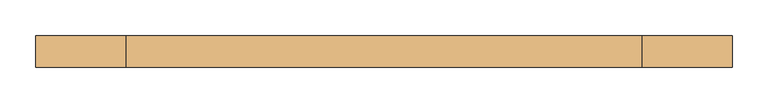
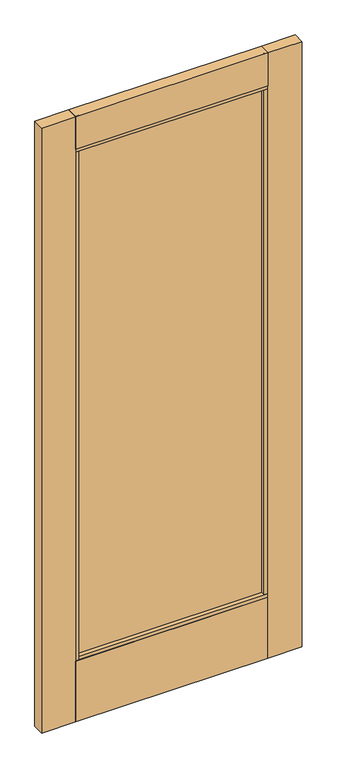
"""IFC4 building model written with IfcOpenShell, lengths in millimetres: door geometry."""

import ifcopenshell
import ifcopenshell.guid

model = None  # the IFC model being written
_history = None  # IfcOwnerHistory: only IFC2X3 demands one
_inside = {}  # id of a spatial element -> (the spatial element, [elements in it])
_under = {}  # id of a project, library or spatial element -> (it, [spatial elements below it])
_declared = {}  # id of a project -> (the project, [libraries it declares])
_typed = {}  # id of a type object -> (the type object, [elements of that type])
_made_of = {}  # id of a material, layer set ... -> (it, [elements and type objects made of it])


def new_model(schema):
    """Start an empty IFC model of exactly this schema.

    Asked for "IFC4X3", IfcOpenShell would pick the latest addendum, in which some entities
    have other attributes; the version numbers below select the first issue.
    IFC2X3 requires an IfcOwnerHistory on every rooted entity: one is made here for all.
    """
    global model, _history
    if schema == "IFC4X3":
        model = ifcopenshell.file(schema_version=(4, 3, 0, 0))
    else:
        model = ifcopenshell.file(schema=schema)
    _inside.clear()
    _under.clear()
    _declared.clear()
    _typed.clear()
    _made_of.clear()
    _history = None
    if model.schema == "IFC2X3":
        org = make("IfcOrganization", Name="unknown")
        user = make(
            "IfcPersonAndOrganization",
            ThePerson=make("IfcPerson", FamilyName="unknown"),
            TheOrganization=org,
        )
        app = make(
            "IfcApplication",
            ApplicationDeveloper=org,
            Version="unknown",
            ApplicationFullName="unknown",
            ApplicationIdentifier="unknown",
        )
        _history = make(
            "IfcOwnerHistory",
            OwningUser=user,
            OwningApplication=app,
            ChangeAction="ADDED",
            CreationDate=0,
        )
    return model


def make(cls, **values):
    """One entity of the class cls with the attributes given. An attribute that is None is left unset."""
    return model.create_entity(
        cls, **{name: value for name, value in values.items() if value is not None}
    )


def rooted(cls, **values):
    """An entity with a GlobalId (a new one), such as an element, a storey or a relation."""
    return make(cls, GlobalId=ifcopenshell.guid.new(), OwnerHistory=_history, **values)


def si_unit(unit_type, name, prefix=None):
    """IfcSIUnit, for example si_unit("LENGTHUNIT", "METRE", prefix="MILLI")."""
    return make("IfcSIUnit", UnitType=unit_type, Prefix=prefix, Name=name)


def assignment(units):
    """IfcUnitAssignment: the units of a project."""
    return None if units is None else make("IfcUnitAssignment", Units=units)


def point(xyz):
    """IfcCartesianPoint."""
    return None if xyz is None else make("IfcCartesianPoint", Coordinates=xyz)


def direction(xyz):
    """IfcDirection."""
    return None if xyz is None else make("IfcDirection", DirectionRatios=xyz)


def frame(location, z_axis=None, x_axis=None):
    """IfcAxis2Placement3D, a coordinate frame: its origin and axes. An axis left out is left unset."""
    return make(
        "IfcAxis2Placement3D",
        Location=point(location),
        Axis=direction(z_axis),
        RefDirection=direction(x_axis),
    )


def origin():
    """The frame at (0, 0, 0) with its axes left unset."""
    return frame((0.0, 0.0, 0.0))


def place(relative_to, where):
    """IfcLocalPlacement: puts the frame where relative to a parent placement (None: the world)."""
    return make(
        "IfcLocalPlacement", PlacementRelTo=relative_to, RelativePlacement=where
    )


def context(
    kind, dimensions, precision=None, world=None, true_north=None, identifier=None
):
    """IfcGeometricRepresentationContext, for example the 3D "Model" context."""
    return make(
        "IfcGeometricRepresentationContext",
        ContextIdentifier=identifier,
        ContextType=kind,
        CoordinateSpaceDimension=dimensions,
        Precision=precision,
        WorldCoordinateSystem=world,
        TrueNorth=true_north,
    )


def project(units=None, contexts=None):
    """IfcProject with its units and contexts."""
    return rooted(
        "IfcProject",
        Name="project",
        RepresentationContexts=contexts,
        UnitsInContext=assignment(units),
    )


def spatial(cls, under=None, at=None, **own):
    """A site, building, storey or space (cls), placed at a placement, below another one or the project."""
    s = rooted(cls, ObjectPlacement=at, **own)
    if under is not None:
        _under.setdefault(under.id(), (under, []))[1].append(s)
    return s


def polyline(points):
    """IfcPolyline through the points."""
    return make("IfcPolyline", Points=[point(p) for p in points])


def outline(outer, holes=None, kind="AREA"):
    """IfcArbitraryClosedProfileDef: a profile drawn as a closed curve; with holes, ...WithVoids."""
    if holes is None:
        return make("IfcArbitraryClosedProfileDef", ProfileType=kind, OuterCurve=outer)
    return make(
        "IfcArbitraryProfileDefWithVoids",
        ProfileType=kind,
        OuterCurve=outer,
        InnerCurves=holes,
    )


def extrude(swept, where, along, depth):
    """IfcExtrudedAreaSolid: the profile swept, set in the frame where, extruded along a direction by depth."""
    return make(
        "IfcExtrudedAreaSolid",
        SweptArea=swept,
        Position=where,
        ExtrudedDirection=direction(along),
        Depth=depth,
    )


def shape(context_of_items, identifier, shape_type, items):
    """IfcShapeRepresentation: the items that make up one representation, for example the "Body"."""
    return make(
        "IfcShapeRepresentation",
        ContextOfItems=context_of_items,
        RepresentationIdentifier=identifier,
        RepresentationType=shape_type,
        Items=items,
    )


def source(mapping_origin, context_of_items, identifier, shape_type, items):
    """IfcRepresentationMap: a shape defined once, which mapped items show again and again."""
    return make(
        "IfcRepresentationMap",
        MappingOrigin=mapping_origin,
        MappedRepresentation=shape(context_of_items, identifier, shape_type, items),
    )


def transform(
    local_origin,
    x_axis=None,
    y_axis=None,
    z_axis=None,
    scale=None,
    scale2=None,
    scale3=None,
    uniform=True,
):
    """IfcCartesianTransformationOperator3D, or its non-uniform kind. x_axis, y_axis, z_axis: its Axis1, 2, 3."""
    if uniform:
        return make(
            "IfcCartesianTransformationOperator3D",
            Axis1=direction(x_axis),
            Axis2=direction(y_axis),
            LocalOrigin=point(local_origin),
            Scale=scale,
            Axis3=direction(z_axis),
        )
    return make(
        "IfcCartesianTransformationOperator3DnonUniform",
        Axis1=direction(x_axis),
        Axis2=direction(y_axis),
        LocalOrigin=point(local_origin),
        Scale=scale,
        Axis3=direction(z_axis),
        Scale2=scale2,
        Scale3=scale3,
    )


def mapped(mapping_source, mapping_target):
    """IfcMappedItem: shows the shape of a source again, moved by a transform."""
    return make(
        "IfcMappedItem", MappingSource=mapping_source, MappingTarget=mapping_target
    )


def made_of(thing, what):
    """Note that an element or type object is made of a material, layer set ...; save() writes the relation."""
    if what is not None:
        _made_of.setdefault(what.id(), (what, []))[1].append(thing)
    return thing


def element(
    cls,
    number,
    at=None,
    inside=None,
    cuts=None,
    type_object=None,
    material=None,
    context=None,
    identifier="Body",
    shape_type=None,
    held_by="IfcProductDefinitionShape",
    body=None,
    shapes=None,
    **own,
):
    """One element of the class cls, such as IfcWall. Its Tag is "e" and its number.

    at: its placement. inside: the storey or other place that contains it. cuts: it is an
    opening in that element (IfcRelVoidsElement). A single representation is given by context,
    identifier, shape_type and body (its items); several are given by shapes. held_by: the class
    of the entity that holds the representations. save() writes the other relations.
    """
    e = rooted(cls, Tag="e%d" % number, ObjectPlacement=at, **own)
    if body is not None:
        shapes = [shape(context, identifier, shape_type, body)]
    if shapes is not None:
        e.Representation = make(held_by, Representations=shapes)
    if inside is not None:
        _inside.setdefault(inside.id(), (inside, []))[1].append(e)
    if cuts is not None:
        rooted(
            "IfcRelVoidsElement", RelatingBuildingElement=cuts, RelatedOpeningElement=e
        )
    if type_object is not None:
        _typed.setdefault(type_object.id(), (type_object, []))[1].append(e)
    return made_of(e, material)


def aggregate(whole, parts):
    """IfcRelAggregates: a whole, such as a stair, and the parts it consists of."""
    return rooted("IfcRelAggregates", RelatingObject=whole, RelatedObjects=parts)


def save(model, path):
    """Write the relations noted so far, then the file.

    IfcRelAggregates (storeys below a building ...), IfcRelContainedInSpatialStructure (elements
    in a storey), IfcRelDefinesByType, IfcRelAssociatesMaterial and IfcRelDeclares: one each for
    every whole, place, type object, material and project.
    """
    for whole, parts in _under.values():
        aggregate(whole, parts)
    for where, things in _inside.values():
        rooted(
            "IfcRelContainedInSpatialStructure",
            RelatedElements=things,
            RelatingStructure=where,
        )
    for kind, things in _typed.values():
        rooted("IfcRelDefinesByType", RelatedObjects=things, RelatingType=kind)
    for what, things in _made_of.values():
        rooted("IfcRelAssociatesMaterial", RelatedObjects=things, RelatingMaterial=what)
    for by, libraries in _declared.values():
        rooted("IfcRelDeclares", RelatingContext=by, RelatedDefinitions=libraries)
    model.write(path)


def door_1f2cd026(model_context):
    return source(origin(), model_context, "Body", "SweptSolid", [
        extrude(outline(polyline([(-15.875, 2425.2719027), (28.575, 2425.2719027), (28.575, 2295.1146827), (27.0151195, 2295.1146827), (27.0151195, 2282.4118887), (13.3499195, 2282.4118887), (13.3499195, 2294.3181387), (-0.3402584, 2294.3181387), (-0.3402584, 2282.4118887), (-14.0054584, 2282.4118887), (-14.0054584, 2295.1146827), (-15.875, 2295.1146827), (-15.875, 2425.2719027)]), holes=[polyline([(26.19375, 2297.4959327), (26.19375, 2422.8906527), (-13.49375, 2422.8906527), (-13.49375, 2297.4959327), (-11.6242084, 2297.4959327), (-11.6242084, 2284.7931387), (-2.7215084, 2284.7931387), (-2.7215084, 2296.6993887), (15.7311695, 2296.6993887), (15.7311695, 2284.7931387), (24.6338695, 2284.7931387), (24.6338695, 2297.4959327), (26.19375, 2297.4959327)])]), frame((-362.7313446, 0.0, 0.0), z_axis=(1.0, 0.0, 0.0), x_axis=(0.0, 1.0, 0.0)), (0.0, 0.0, 1.0), 725.4728048),
        extrude(outline(polyline([(-490.5383852, 28.575), (-362.7313446, 28.575), (-362.7313446, 27.0151195), (-350.0313446, 27.0151195), (-350.0313446, -14.0054584), (-362.7313446, -14.0054584), (-362.7313446, -15.875), (-490.5383852, -15.875), (-490.5383852, 28.575)])), frame((0.0, 0.0, 17.4625), z_axis=(0.0, 0.0, 1.0), x_axis=(1.0, 0.0, 0.0)), (0.0, 0.0, 1.0), 2407.8094027),
        extrude(outline(polyline([(-358.4228809, 3.3883145), (-358.4228809, 9.7383145), (354.8225026, 9.7383145), (354.8225026, 3.3883145), (-358.4228809, 3.3883145)])), frame((0.0, 0.0, 263.906), z_axis=(0.0, 0.0, 1.0), x_axis=(1.0, 0.0, 0.0)), (0.0, 0.0, 1.0), 2026.4433887),
        extrude(outline(polyline([(490.5383852, 28.575), (490.5383852, -15.875), (362.7414602, -15.875), (362.7414602, -11.7697968), (350.0414602, -11.7697968), (350.0414602, 27.0151195), (362.7414602, 27.0151195), (362.7414602, 28.575), (490.5383852, 28.575)])), frame((0.0, 0.0, 17.4625), z_axis=(0.0, 0.0, 1.0), x_axis=(1.0, 0.0, 0.0)), (0.0, 0.0, 1.0), 2407.8094027),
        extrude(outline(polyline([(-14.0054584, 271.4298836), (27.0151195, 271.4298836), (27.0151195, 258.7303916), (28.575, 258.7303916), (28.575, 17.4625), (-15.875, 17.4625), (-15.875, 258.7303916), (-14.0054584, 258.7303916), (-14.0054584, 271.4298836)])), frame((-362.7313446, 0.0, 0.0), z_axis=(1.0, 0.0, 0.0), x_axis=(0.0, 1.0, 0.0)), (0.0, 0.0, 1.0), 725.4728048),
    ])


if __name__ == "__main__":
    model = new_model("IFC4")
    model_context = context("Model", 3, world=origin())
    ifc_project = project(units=[si_unit("LENGTHUNIT", "METRE", prefix="MILLI")], contexts=[model_context])
    site = spatial("IfcSite", under=ifc_project)
    building = spatial("IfcBuilding", under=site)
    placement = place(None, origin())
    door_shape = door_1f2cd026(model_context)
    element("IfcDoor", 1, at=placement, inside=building, context=model_context, shape_type="MappedRepresentation", body=[
        mapped(door_shape, transform((0.0, 0.0, 0.0), x_axis=(1.0, 0.0, 0.0), y_axis=(0.0, 1.0, 0.0), z_axis=(0.0, 0.0, 1.0))),
    ])
    save(model, "model.ifc")
